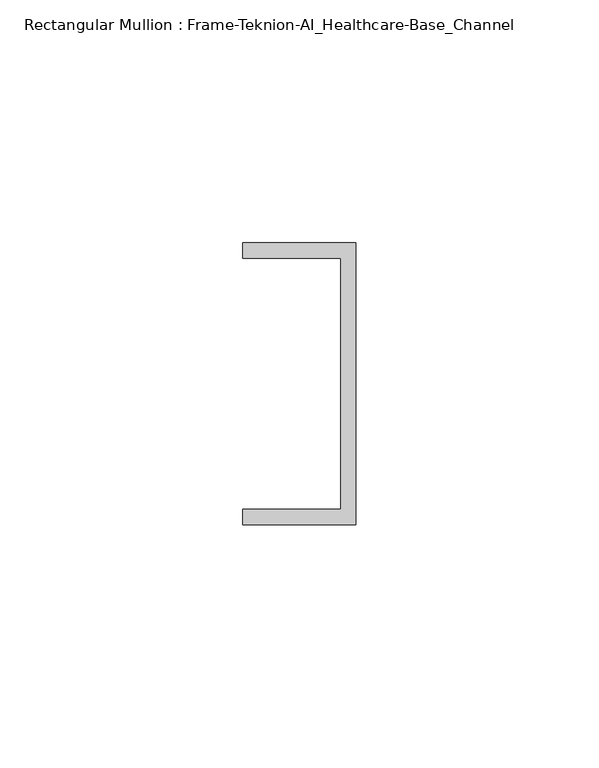
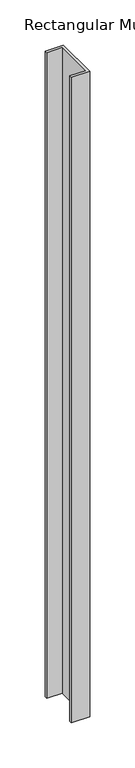
"""IFC4 building model written with IfcOpenShell, lengths in millimetres: member geometry, Rectangular Mullion : Frame-Teknion-AI_Healthcare-Base_Channel."""

from ifc_helpers import new_model, si_unit, frame, origin, place, context, project, spatial, polyline, outline, extrude, source, transform, mapped, element, save


def rectangular_mullion_frame_teknion_ai_healthcare_base_channel_9bec28e1(model_context):
    return source(origin(), model_context, "Body", "SweptSolid", [
        extrude(outline(polyline([(0.0, 29.0214844), (0.0, -29.0214844), (-23.3164063, -29.0214844), (-23.3164063, -25.8464844), (-3.175, -25.8464844), (-3.175, 25.8464844), (-23.3164063, 25.8464844), (-23.3164063, 29.0214844), (0.0, 29.0214844)])), frame((0.0, 0.0, -872.7384774), z_axis=(0.0, 0.0, 1.0), x_axis=(1.0, 0.0, 0.0)), (0.0, 0.0, 1.0), 872.7384774),
    ])


if __name__ == "__main__":
    model = new_model("IFC4")
    model_context = context("Model", 3, world=origin())
    ifc_project = project(units=[si_unit("LENGTHUNIT", "METRE", prefix="MILLI")], contexts=[model_context])
    site = spatial("IfcSite", under=ifc_project)
    building = spatial("IfcBuilding", under=site)
    placement = place(None, origin())
    rectangular_mullion_frame_teknion_ai_healthcare_base_channel_shape = rectangular_mullion_frame_teknion_ai_healthcare_base_channel_9bec28e1(model_context)
    element("IfcMember", 1, ObjectType="Rectangular Mullion : Frame-Teknion-AI_Healthcare-Base_Channel", at=placement, inside=building, context=model_context, shape_type="MappedRepresentation", body=[
        mapped(rectangular_mullion_frame_teknion_ai_healthcare_base_channel_shape, transform((0.0, 0.0, 0.0), x_axis=(1.0, 0.0, 0.0), y_axis=(0.0, 1.0, 0.0), z_axis=(0.0, 0.0, 1.0))),
    ])
    save(model, "model.ifc")
